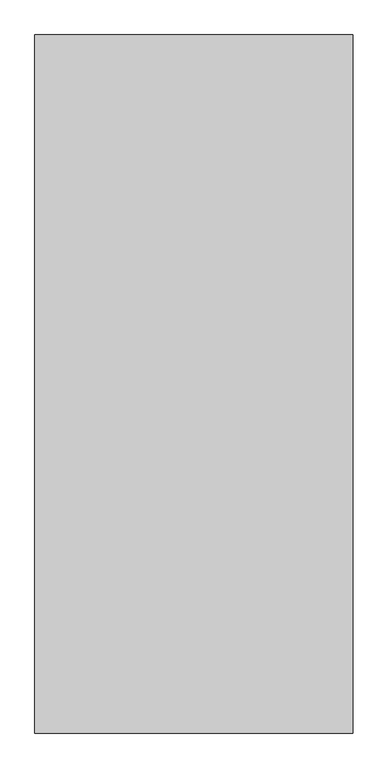
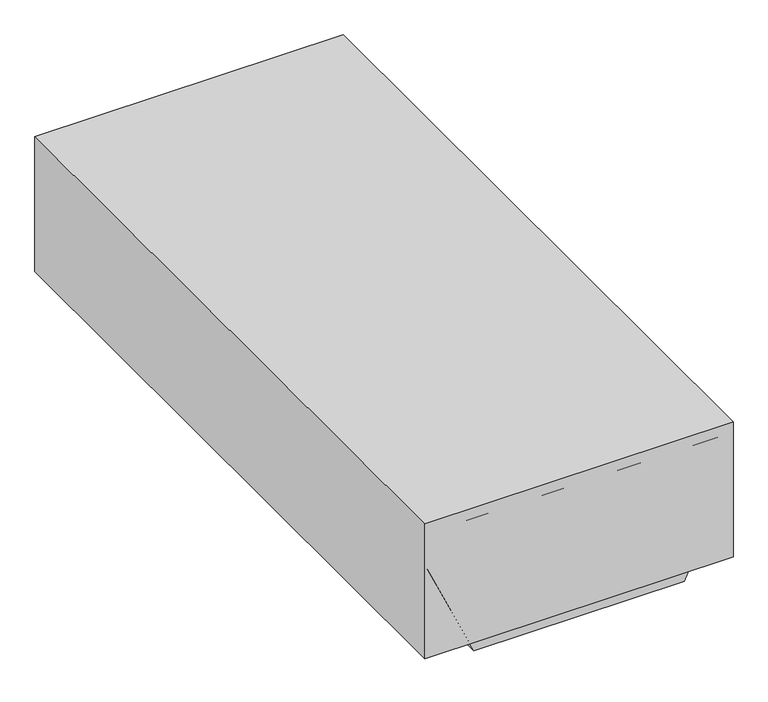
"""IFC4 building model written with IfcOpenShell, lengths in millimetres: proxy geometry."""

from ifc_helpers import new_model, si_unit, point, frame, frame_2d, origin, place, context, project, spatial, polyline, circle_curve, trimmed, segment, composite_curve, outline, extrude, faceted_brep, source, transform, mapped, element, save


def specialty_equipment_14773d18(model_context):
    return source(origin(), model_context, "Body", "SolidModel", [
        extrude(outline(composite_curve([segment(trimmed(circle_curve(frame_2d((0.0, -52.0000001)), 52.0), [point((0.0, -104.0))], [point((0.0, 0.0))], False, "CARTESIAN"), True, "CONTINUOUS"), segment(trimmed(circle_curve(frame_2d((0.0, -52.0000001)), 52.0), [point((0.0, 0.0))], [point((0.0, -104.0))], False, "CARTESIAN"), True, "CONTINUOUS")], self_intersect=False)), frame((-363.1201308, 707.7714765, -351.7046243), z_axis=(0.9098092643356966, 0.0, 0.41502662869861556), x_axis=(0.0, -1.0, 0.0)), (0.0, 0.0, 1.0), 5.0),
        extrude(outline(composite_curve([segment(trimmed(circle_curve(frame_2d((0.0, -52.0000001)), 52.0), [point((0.0, -104.0))], [point((0.0, 0.0))], False, "CARTESIAN"), True, "CONTINUOUS"), segment(trimmed(circle_curve(frame_2d((0.0, -52.0000001)), 52.0), [point((0.0, 0.0))], [point((0.0, -104.0))], False, "CARTESIAN"), True, "CONTINUOUS")], self_intersect=False)), frame((363.1331622, 707.7264827, -351.6760572), z_axis=(-0.90980926433571, 0.0, 0.4150266286985865), x_axis=(0.0, 1.0, 0.0)), (0.0, 0.0, 1.0), 5.0),
        extrude(outline(polyline([(463.55, 0.0), (-463.55, 0.0), (-463.55, 2032.0), (463.55, 2032.0), (463.55, 0.0)])), frame((0.0, 0.0, -428.752), z_axis=(0.0, 0.0, 1.0), x_axis=(1.0, 0.0, 0.0)), (0.0, 0.0, 1.0), 428.752),
        extrude(outline(composite_curve([segment(trimmed(circle_curve(frame_2d((0.0, -6.4)), 6.4), [point((0.0, -12.8))], [point((0.0, 0.0))], False, "CARTESIAN"), True, "CONTINUOUS"), segment(trimmed(circle_curve(frame_2d((0.0, -6.4)), 6.4), [point((0.0, 0.0))], [point((0.0, -12.8))], False, "CARTESIAN"), True, "CONTINUOUS")], self_intersect=False)), frame((-398.1911432, 57.7984364, -209.5868095), z_axis=(0.9098092643356966, 0.0, 0.41502662869861556), x_axis=(0.0, -1.0, 0.0)), (0.0, 0.0, 1.0), 15.9252544),
        extrude(outline(polyline([(-363.5, 772.5), (363.5, 772.5), (363.5, 89.5), (-363.5, 89.5), (-363.5, 772.5)])), frame((0.0, 0.0, -87.0), z_axis=(0.0, 0.0, 1.0), x_axis=(1.0, 0.0, 0.0)), (0.0, 0.0, 1.0), 10.0),
        extrude(outline(polyline([(-413.5, 39.5), (-413.5, 822.5), (413.5, 822.5), (413.5, 39.5), (-413.5, 39.5)]), holes=[polyline([(-363.5, 89.5), (363.5, 89.5), (363.5, 772.5), (-363.5, 772.5), (-363.5, 89.5)])]), frame((0.0, 0.0, -87.0), z_axis=(0.0, 0.0, 1.0), x_axis=(1.0, 0.0, 0.0)), (0.0, 0.0, 1.0), 10.0),
        extrude(outline(composite_curve([segment(trimmed(circle_curve(frame_2d((-330.0, 0.0)), 52.0), [point((-278.0, 0.0))], [point((-382.0, 0.0))], False, "CARTESIAN"), True, "CONTINUOUS"), segment(trimmed(circle_curve(frame_2d((-330.0, 0.0)), 52.0), [point((-382.0, 0.0))], [point((-278.0, 0.0))], False, "CARTESIAN"), True, "CONTINUOUS")], self_intersect=False)), frame((0.0, 893.0, 0.0), z_axis=(0.0, 1.0, 0.0), x_axis=(0.0, 0.0, 1.0)), (0.0, 0.0, 1.0), 31.0),
        extrude(outline(composite_curve([segment(trimmed(circle_curve(frame_2d((-330.0, 0.0)), 85.0), [point((-415.0, 0.0))], [point((-245.0, 0.0))], False, "CARTESIAN"), True, "CONTINUOUS"), segment(trimmed(circle_curve(frame_2d((-330.0, 0.0)), 85.0), [point((-245.0, 0.0))], [point((-415.0, 0.0))], False, "CARTESIAN"), True, "CONTINUOUS")], self_intersect=False)), frame((0.0, 862.0, 0.0), z_axis=(0.0, 1.0, 0.0), x_axis=(0.0, 0.0, 1.0)), (0.0, 0.0, 1.0), 31.0),
        faceted_brep([(-456.5, 862.0, -32.0), (456.5, 862.0, -32.0), (456.5, 862.0, -147.0), (316.0, 862.0, -455.0), (-316.0, 862.0, -455.0), (-456.5, 862.0, -147.0), (-456.5, 0.0, -32.0), (-456.5, 0.0, -147.0), (-316.0, 0.0, -455.0), (316.0, 0.0, -455.0), (456.5, 0.0, -147.0), (456.5, 0.0, -32.0), (413.5, 39.5, -32.0), (-413.5, 39.5, -32.0), (-413.5, 822.5, -32.0), (413.5, 822.5, -32.0), (-409.1723851, 38.4911327, -250.7502163), (-409.1723851, 78.4911327, -250.7502163), (-440.2993822, 78.4911327, -182.5145215), (-440.2993822, 38.4911327, -182.5145215), (424.2381499, 69.0149179, -217.7234862), (424.2381499, 29.0149179, -217.7234862), (440.8392151, 29.0149179, -181.3311157), (440.8392151, 69.0149179, -181.3311157), (413.5, 39.5, -137.6555354), (288.3526063, 39.5, -412.0), (-288.3526063, 39.5, -412.0), (-370.0505867, 39.5, -232.9040713), (-401.1775839, 39.5, -164.6683765), (-413.5, 39.5, -137.6555354), (-413.5, 822.5, -137.6555354), (-288.3526063, 822.5, -412.0), (288.3526063, 822.5, -412.0), (413.5, 822.5, -137.6555354), (-401.1775839, 78.4911327, -164.6683765), (-370.0505867, 78.4911327, -232.9040713), (-370.0505867, 38.4911327, -232.9040713), (-401.1775839, 38.4911327, -164.6683765), (401.7526881, 29.0149179, -207.4663194), (401.7526881, 69.0149179, -207.4663194), (418.3537532, 69.0149179, -171.0739488), (418.3537532, 29.0149179, -171.0739488)], [[[0, 1, 2, 3, 4, 5]], [[6, 7, 8, 9, 10, 11]], [[1, 0, 6, 11], [12, 13, 14, 15]], [[0, 5, 7, 6]], [[5, 4, 8, 7], [16, 17, 18, 19]], [[4, 3, 9, 8]], [[3, 2, 10, 9], [20, 21, 22, 23]], [[2, 1, 11, 10]], [[12, 24, 25, 26, 27, 28, 29, 13]], [[14, 30, 31, 32, 33, 15]], [[13, 29, 30, 14]], [[31, 30, 29, 28, 34, 35, 27, 26]], [[26, 25, 32, 31]], [[25, 24, 33, 32]], [[24, 12, 15, 33]], [[36, 37, 28, 27]], [[16, 36, 27, 35, 17]], [[37, 36, 16, 19]], [[37, 19, 18, 34, 28]], [[17, 35, 34, 18]], [[38, 39, 40, 41]], [[39, 38, 21, 20]], [[40, 39, 20, 23]], [[41, 40, 23, 22]], [[38, 41, 22, 21]]]),
        extrude(outline(polyline([(-136.5689698, 408.5), (-87.0, 408.5), (-87.0, -408.5), (-136.5689698, -408.5), (-407.0, -285.137793), (-407.0, 285.137793), (-136.5689698, 408.5)])), frame((0.0, 44.5, 0.0), z_axis=(0.0, 1.0, 0.0), x_axis=(0.0, 0.0, 1.0)), (0.0, 0.0, 1.0), 5.0),
        extrude(outline(polyline([(-137.6555354, -413.5), (-412.0, -288.3526063), (-412.0, 288.3526063), (-137.6555354, 413.5), (-87.0, 413.5), (-87.0, 408.5), (-136.5689698, 408.5), (-407.0, 285.137793), (-407.0, -285.137793), (-136.5689698, -408.5), (-87.0, -408.5), (-87.0, -413.5), (-137.6555354, -413.5)])), frame((0.0, 44.5, 0.0), z_axis=(0.0, 1.0, 0.0), x_axis=(0.0, 0.0, 1.0)), (0.0, 0.0, 1.0), 778.0),
        extrude(outline(polyline([(-412.0, -288.3526063), (-412.0, 288.3526063), (-137.6555354, 413.5), (-87.0, 413.5), (-87.0, -413.5), (-137.6555354, -413.5), (-412.0, -288.3526063)])), frame((0.0, 39.5, 0.0), z_axis=(0.0, 1.0, 0.0), x_axis=(0.0, 0.0, 1.0)), (0.0, 0.0, 1.0), 5.0),
    ])


if __name__ == "__main__":
    model = new_model("IFC4")
    model_context = context("Model", 3, world=origin())
    ifc_project = project(units=[si_unit("LENGTHUNIT", "METRE", prefix="MILLI")], contexts=[model_context])
    site = spatial("IfcSite", under=ifc_project)
    building = spatial("IfcBuilding", under=site)
    placement = place(None, origin())
    specialty_equipment_shape = specialty_equipment_14773d18(model_context)
    element("IfcBuildingElementProxy", 1, Name="Specialty Equipment", at=placement, inside=building, context=model_context, shape_type="MappedRepresentation", body=[
        mapped(specialty_equipment_shape, transform((0.0, 0.0, 0.0), x_axis=(1.0, 0.0, 0.0), y_axis=(0.0, 1.0, 0.0), z_axis=(0.0, 0.0, 1.0))),
    ])
    save(model, "model.ifc")
